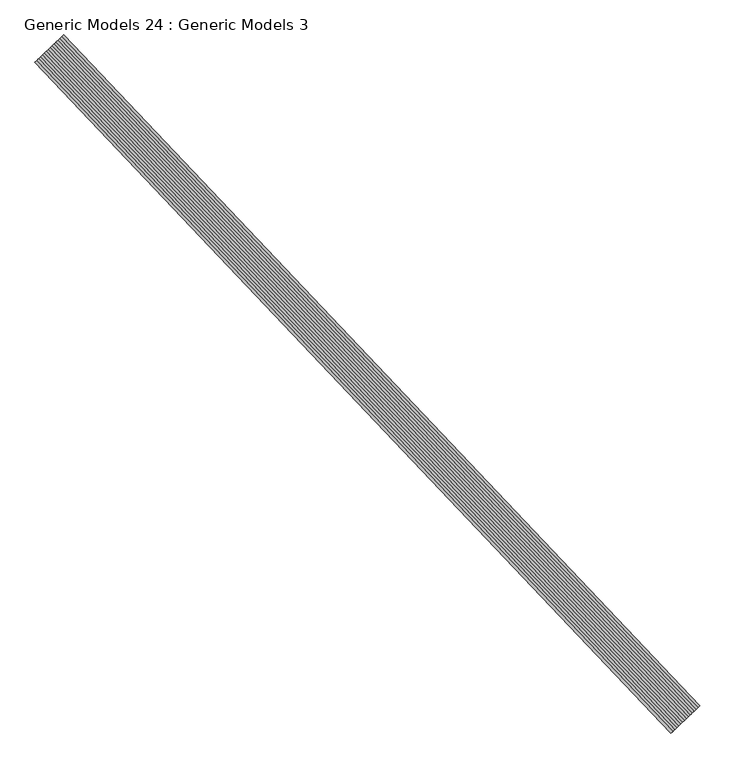
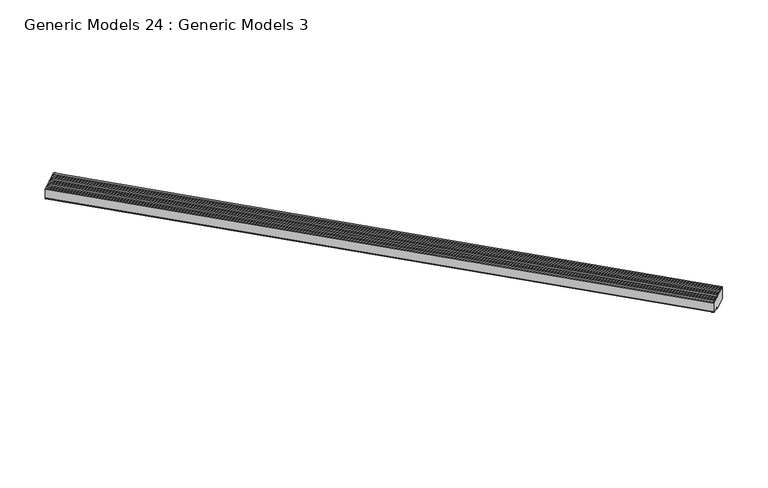
"""IFC4 building model written with IfcOpenShell, lengths in millimetres: proxy geometry, Generic Models 24 : Generic Models 3."""

from ifc_helpers import new_model, si_unit, frame, origin, place, context, project, spatial, circle_curve, source, transform, mapped, element, save
from ifc_brep_helpers import plane_surface, cylinder_surface, advanced_brep


def generic_models_24_generic_models_3_0cb34b50(model_context):
    return source(origin(), model_context, "Body", "AdvancedBrep", [
        advanced_brep(
        [(107447.4554887, 60196.124843, 16787.5924237), (107465.8799977, 60213.6090493, 16787.5924237), (107484.3045067, 60231.0932555, 16787.5924237), (107502.7290157, 60248.5774617, 16787.5924237), (107521.1535247, 60266.0616679, 16787.5924237), (107539.5780338, 60283.5458742, 16787.5924237), (107558.0025428, 60301.0300804, 16787.5924237), (107576.4270518, 60318.5142866, 16787.5924237), (107594.8515608, 60335.9984928, 16787.5924237), (107613.2760699, 60353.4826991, 16787.5924237), (107631.7005789, 60370.9669053, 16787.5924237), (107650.1250879, 60388.4511115, 16787.5924237), (107668.5495969, 60405.9353177, 16787.5924237), (107686.974106, 60423.4195239, 16787.5924237), (107705.398615, 60440.9037302, 16787.5924237), (107723.823124, 60458.3879364, 16787.5924237), (107723.823124, 60458.3879364, 16607.5699992), (107705.398615, 60440.9037302, 16607.5699992), (107686.974106, 60423.4195239, 16607.5699992), (107668.5495969, 60405.9353177, 16607.5699992), (107650.1250879, 60388.4511115, 16607.5699992), (107631.7005789, 60370.9669053, 16607.5699992), (107613.2760699, 60353.4826991, 16607.5699992), (107594.8515608, 60335.9984928, 16607.5699992), (107576.4270518, 60318.5142866, 16607.5699992), (107558.0025428, 60301.0300804, 16607.5699992), (107544.4605287, 60288.1791888, 16603.6706976), (107544.4605287, 60288.1791888, 16603.98), (107544.4605287, 60288.1791888, 16634.46), (107463.3466277, 60211.2049709, 16634.46), (107447.4554887, 60196.124843, 16656.3675), (113624.5932426, 53881.0561758, 16603.6706976), (113638.1352567, 53893.9070674, 16607.5699992), (113656.5597657, 53911.3912736, 16607.5699992), (113674.9842748, 53928.8754798, 16607.5699992), (113693.4087838, 53946.3596861, 16607.5699992), (113711.8332928, 53963.8438923, 16607.5699992), (113730.2578018, 53981.3280985, 16607.5699992), (113748.6823109, 53998.8123047, 16607.5699992), (113767.1068199, 54016.2965109, 16607.5699992), (113785.5313289, 54033.7807172, 16607.5699992), (113803.9558379, 54051.2649234, 16607.5699992), (113803.9558379, 54051.2649234, 16787.5924237), (113785.5313289, 54033.7807172, 16787.5924237), (113767.1068199, 54016.2965109, 16787.5924237), (113748.6823109, 53998.8123047, 16787.5924237), (113730.2578018, 53981.3280985, 16787.5924237), (113711.8332928, 53963.8438923, 16787.5924237), (113693.4087838, 53946.3596861, 16787.5924237), (113674.9842748, 53928.8754798, 16787.5924237), (113656.5597657, 53911.3912736, 16787.5924237), (113638.1352567, 53893.9070674, 16787.5924237), (113619.7107477, 53876.4228612, 16787.5924237), (113601.2862387, 53858.9386549, 16787.5924237), (113582.8617296, 53841.4544487, 16787.5924237), (113564.4372206, 53823.9702425, 16787.5924237), (113546.0127116, 53806.4860363, 16787.5924237), (113527.5882026, 53789.0018301, 16787.5924237), (113527.5882026, 53789.0018301, 16656.3675), (113543.4793416, 53804.0819579, 16634.46), (113624.5932426, 53881.0561758, 16634.46), (113624.5932426, 53881.0561758, 16603.98)],
        [
            (0, 1, circle_curve(frame((107456.6677432, 60204.8669462, 16773.4287993), z_axis=(-0.6883545756937504, 0.7253743710122912, 0.0), x_axis=(-0.7253743710122912, -0.6883545756937504, 0.0)), 19.0236237)),
            (1, 2, circle_curve(frame((107475.0922522, 60222.3511524, 16773.4287993), z_axis=(-0.6883545756937504, 0.7253743710122912, 0.0), x_axis=(-0.7253743710122912, -0.6883545756937504, 0.0)), 19.0236237)),
            (2, 3, circle_curve(frame((107493.5167612, 60239.8353586, 16773.4287993), z_axis=(-0.6883545756937504, 0.7253743710122912, 0.0), x_axis=(-0.7253743710122912, -0.6883545756937504, 0.0)), 19.0236237)),
            (3, 4, circle_curve(frame((107511.9412702, 60257.3195648, 16773.4287993), z_axis=(-0.6883545756937504, 0.7253743710122912, 0.0), x_axis=(-0.7253743710122912, -0.6883545756937504, 0.0)), 19.0236237)),
            (4, 5, circle_curve(frame((107530.3657793, 60274.803771, 16773.4287993), z_axis=(-0.6883545756937504, 0.7253743710122912, 0.0), x_axis=(-0.7253743710122912, -0.6883545756937504, 0.0)), 19.0236237)),
            (5, 6, circle_curve(frame((107548.7902883, 60292.2879773, 16773.4287993), z_axis=(-0.6883545756937504, 0.7253743710122912, 0.0), x_axis=(-0.7253743710122912, -0.6883545756937504, 0.0)), 19.0236237)),
            (6, 7, circle_curve(frame((107567.2147973, 60309.7721835, 16773.4287993), z_axis=(-0.6883545756937504, 0.7253743710122912, 0.0), x_axis=(-0.7253743710122912, -0.6883545756937504, 0.0)), 19.0236237)),
            (7, 8, circle_curve(frame((107585.6393063, 60327.2563897, 16773.4287993), z_axis=(-0.6883545756937504, 0.7253743710122912, 0.0), x_axis=(-0.7253743710122912, -0.6883545756937504, 0.0)), 19.0236237)),
            (8, 9, circle_curve(frame((107604.0638154, 60344.7405959, 16773.4287993), z_axis=(-0.6883545756937504, 0.7253743710122912, 0.0), x_axis=(-0.7253743710122912, -0.6883545756937504, 0.0)), 19.0236237)),
            (9, 10, circle_curve(frame((107622.4883244, 60362.2248022, 16773.4287993), z_axis=(-0.6883545756937504, 0.7253743710122912, 0.0), x_axis=(-0.7253743710122912, -0.6883545756937504, 0.0)), 19.0236237)),
            (10, 11, circle_curve(frame((107640.9128334, 60379.7090084, 16773.4287993), z_axis=(-0.6883545756937504, 0.7253743710122912, 0.0), x_axis=(-0.7253743710122912, -0.6883545756937504, 0.0)), 19.0236237)),
            (11, 12, circle_curve(frame((107659.3373424, 60397.1932146, 16773.4287993), z_axis=(-0.6883545756937504, 0.7253743710122912, 0.0), x_axis=(-0.7253743710122912, -0.6883545756937504, 0.0)), 19.0236237)),
            (12, 13, circle_curve(frame((107677.7618514, 60414.6774208, 16773.4287993), z_axis=(-0.6883545756937504, 0.7253743710122912, 0.0), x_axis=(-0.7253743710122912, -0.6883545756937504, 0.0)), 19.0236237)),
            (13, 14, circle_curve(frame((107696.1863605, 60432.1616271, 16773.4287993), z_axis=(-0.6883545756937504, 0.7253743710122912, 0.0), x_axis=(-0.7253743710122912, -0.6883545756937504, 0.0)), 19.0236237)),
            (14, 15, circle_curve(frame((107714.6108695, 60449.6458333, 16773.4287993), z_axis=(-0.6883545756937504, 0.7253743710122912, 0.0), x_axis=(-0.7253743710122912, -0.6883545756937504, 0.0)), 19.0236237)),
            (15, 16),
            (16, 17, circle_curve(frame((107714.6108695, 60449.6458333, 16621.7336237), z_axis=(-0.6883545756937504, 0.7253743710122912, 0.0), x_axis=(-0.7253743710122912, -0.6883545756937504, 0.0)), 19.0236237)),
            (17, 18, circle_curve(frame((107696.1863605, 60432.1616271, 16621.7336237), z_axis=(-0.6883545756937504, 0.7253743710122912, 0.0), x_axis=(-0.7253743710122912, -0.6883545756937504, 0.0)), 19.0236237)),
            (18, 19, circle_curve(frame((107677.7618514, 60414.6774208, 16621.7336237), z_axis=(-0.6883545756937504, 0.7253743710122912, 0.0), x_axis=(-0.7253743710122912, -0.6883545756937504, 0.0)), 19.0236237)),
            (19, 20, circle_curve(frame((107659.3373424, 60397.1932146, 16621.7336237), z_axis=(-0.6883545756937504, 0.7253743710122912, 0.0), x_axis=(-0.7253743710122912, -0.6883545756937504, 0.0)), 19.0236237)),
            (20, 21, circle_curve(frame((107640.9128334, 60379.7090084, 16621.7336237), z_axis=(-0.6883545756937504, 0.7253743710122912, 0.0), x_axis=(-0.7253743710122912, -0.6883545756937504, 0.0)), 19.0236237)),
            (21, 22, circle_curve(frame((107622.4883244, 60362.2248022, 16621.7336237), z_axis=(-0.6883545756937504, 0.7253743710122912, 0.0), x_axis=(-0.7253743710122912, -0.6883545756937504, 0.0)), 19.0236237)),
            (22, 23, circle_curve(frame((107604.0638154, 60344.7405959, 16621.7336237), z_axis=(-0.6883545756937504, 0.7253743710122912, 0.0), x_axis=(-0.7253743710122912, -0.6883545756937504, 0.0)), 19.0236237)),
            (23, 24, circle_curve(frame((107585.6393063, 60327.2563897, 16621.7336237), z_axis=(-0.6883545756937504, 0.7253743710122912, 0.0), x_axis=(-0.7253743710122912, -0.6883545756937504, 0.0)), 19.0236237)),
            (24, 25, circle_curve(frame((107567.2147973, 60309.7721835, 16621.7336237), z_axis=(-0.6883545756937504, 0.7253743710122912, 0.0), x_axis=(-0.7253743710122912, -0.6883545756937504, 0.0)), 19.0236237)),
            (25, 26, circle_curve(frame((107548.7902883, 60292.2879773, 16621.7336237), z_axis=(-0.6883545756937504, 0.7253743710122912, 0.0), x_axis=(-0.7253743710122912, -0.6883545756937504, 0.0)), 19.0236237)),
            (26, 27),
            (27, 28),
            (28, 29),
            (29, 30, circle_curve(frame((107463.3466277, 60211.2049709, 16656.3675), z_axis=(-0.6883545756936593, 0.7253743710123776, 0.0), x_axis=(-0.7253743710123776, -0.6883545756936593, 0.0)), 21.9075)),
            (30, 0),
            (31, 32, circle_curve(frame((113628.9230022, 53885.1649643, 16621.7336237), z_axis=(0.6883545756937504, -0.7253743710122912, 0.0), x_axis=(-0.7253743710122912, -0.6883545756937504, 0.0)), 19.0236237)),
            (32, 33, circle_curve(frame((113647.3475112, 53902.6491705, 16621.7336237), z_axis=(0.6883545756937504, -0.7253743710122912, 0.0), x_axis=(-0.7253743710122912, -0.6883545756937504, 0.0)), 19.0236237)),
            (33, 34, circle_curve(frame((113665.7720202, 53920.1333767, 16621.7336237), z_axis=(0.6883545756937504, -0.7253743710122912, 0.0), x_axis=(-0.7253743710122912, -0.6883545756937504, 0.0)), 19.0236237)),
            (34, 35, circle_curve(frame((113684.1965293, 53937.6175829, 16621.7336237), z_axis=(0.6883545756937504, -0.7253743710122912, 0.0), x_axis=(-0.7253743710122912, -0.6883545756937504, 0.0)), 19.0236237)),
            (35, 36, circle_curve(frame((113702.6210383, 53955.1017892, 16621.7336237), z_axis=(0.6883545756937504, -0.7253743710122912, 0.0), x_axis=(-0.7253743710122912, -0.6883545756937504, 0.0)), 19.0236237)),
            (36, 37, circle_curve(frame((113721.0455473, 53972.5859954, 16621.7336237), z_axis=(0.6883545756937504, -0.7253743710122912, 0.0), x_axis=(-0.7253743710122912, -0.6883545756937504, 0.0)), 19.0236237)),
            (37, 38, circle_curve(frame((113739.4700563, 53990.0702016, 16621.7336237), z_axis=(0.6883545756937504, -0.7253743710122912, 0.0), x_axis=(-0.7253743710122912, -0.6883545756937504, 0.0)), 19.0236237)),
            (38, 39, circle_curve(frame((113757.8945654, 54007.5544078, 16621.7336237), z_axis=(0.6883545756937504, -0.7253743710122912, 0.0), x_axis=(-0.7253743710122912, -0.6883545756937504, 0.0)), 19.0236237)),
            (39, 40, circle_curve(frame((113776.3190744, 54025.0386141, 16621.7336237), z_axis=(0.6883545756937504, -0.7253743710122912, 0.0), x_axis=(-0.7253743710122912, -0.6883545756937504, 0.0)), 19.0236237)),
            (40, 41, circle_curve(frame((113794.7435834, 54042.5228203, 16621.7336237), z_axis=(0.6883545756937504, -0.7253743710122912, 0.0), x_axis=(-0.7253743710122912, -0.6883545756937504, 0.0)), 19.0236237)),
            (41, 42),
            (42, 43, circle_curve(frame((113794.7435834, 54042.5228203, 16773.4287993), z_axis=(0.6883545756937504, -0.7253743710122912, 0.0), x_axis=(-0.7253743710122912, -0.6883545756937504, 0.0)), 19.0236237)),
            (43, 44, circle_curve(frame((113776.3190744, 54025.0386141, 16773.4287993), z_axis=(0.6883545756937504, -0.7253743710122912, 0.0), x_axis=(-0.7253743710122912, -0.6883545756937504, 0.0)), 19.0236237)),
            (44, 45, circle_curve(frame((113757.8945654, 54007.5544078, 16773.4287993), z_axis=(0.6883545756937504, -0.7253743710122912, 0.0), x_axis=(-0.7253743710122912, -0.6883545756937504, 0.0)), 19.0236237)),
            (45, 46, circle_curve(frame((113739.4700563, 53990.0702016, 16773.4287993), z_axis=(0.6883545756937504, -0.7253743710122912, 0.0), x_axis=(-0.7253743710122912, -0.6883545756937504, 0.0)), 19.0236237)),
            (46, 47, circle_curve(frame((113721.0455473, 53972.5859954, 16773.4287993), z_axis=(0.6883545756937504, -0.7253743710122912, 0.0), x_axis=(-0.7253743710122912, -0.6883545756937504, 0.0)), 19.0236237)),
            (47, 48, circle_curve(frame((113702.6210383, 53955.1017892, 16773.4287993), z_axis=(0.6883545756937504, -0.7253743710122912, 0.0), x_axis=(-0.7253743710122912, -0.6883545756937504, 0.0)), 19.0236237)),
            (48, 49, circle_curve(frame((113684.1965293, 53937.6175829, 16773.4287993), z_axis=(0.6883545756937504, -0.7253743710122912, 0.0), x_axis=(-0.7253743710122912, -0.6883545756937504, 0.0)), 19.0236237)),
            (49, 50, circle_curve(frame((113665.7720202, 53920.1333767, 16773.4287993), z_axis=(0.6883545756937504, -0.7253743710122912, 0.0), x_axis=(-0.7253743710122912, -0.6883545756937504, 0.0)), 19.0236237)),
            (50, 51, circle_curve(frame((113647.3475112, 53902.6491705, 16773.4287993), z_axis=(0.6883545756937504, -0.7253743710122912, 0.0), x_axis=(-0.7253743710122912, -0.6883545756937504, 0.0)), 19.0236237)),
            (51, 52, circle_curve(frame((113628.9230022, 53885.1649643, 16773.4287993), z_axis=(0.6883545756937504, -0.7253743710122912, 0.0), x_axis=(-0.7253743710122912, -0.6883545756937504, 0.0)), 19.0236237)),
            (52, 53, circle_curve(frame((113610.4984932, 53867.6807581, 16773.4287993), z_axis=(0.6883545756937504, -0.7253743710122912, 0.0), x_axis=(-0.7253743710122912, -0.6883545756937504, 0.0)), 19.0236237)),
            (53, 54, circle_curve(frame((113592.0739842, 53850.1965518, 16773.4287993), z_axis=(0.6883545756937504, -0.7253743710122912, 0.0), x_axis=(-0.7253743710122912, -0.6883545756937504, 0.0)), 19.0236237)),
            (54, 55, circle_curve(frame((113573.6494751, 53832.7123456, 16773.4287993), z_axis=(0.6883545756937504, -0.7253743710122912, 0.0), x_axis=(-0.7253743710122912, -0.6883545756937504, 0.0)), 19.0236237)),
            (55, 56, circle_curve(frame((113555.2249661, 53815.2281394, 16773.4287993), z_axis=(0.6883545756937504, -0.7253743710122912, 0.0), x_axis=(-0.7253743710122912, -0.6883545756937504, 0.0)), 19.0236237)),
            (56, 57, circle_curve(frame((113536.8004571, 53797.7439332, 16773.4287993), z_axis=(0.6883545756937504, -0.7253743710122912, 0.0), x_axis=(-0.7253743710122912, -0.6883545756937504, 0.0)), 19.0236237)),
            (57, 58),
            (58, 59, circle_curve(frame((113543.4793416, 53804.0819579, 16656.3675), z_axis=(0.6883545756936593, -0.7253743710123776, 0.0), x_axis=(-0.7253743710123776, -0.6883545756936593, 0.0)), 21.9075)),
            (59, 60),
            (60, 61),
            (61, 31),
            (0, 57),
            (56, 1),
            (55, 2),
            (54, 3),
            (53, 4),
            (52, 5),
            (51, 6),
            (50, 7),
            (49, 8),
            (48, 9),
            (47, 10),
            (46, 11),
            (45, 12),
            (44, 13),
            (43, 14),
            (42, 15),
            (41, 16),
            (40, 17),
            (39, 18),
            (38, 19),
            (37, 20),
            (36, 21),
            (35, 22),
            (34, 23),
            (33, 24),
            (32, 25),
            (31, 26),
            (30, 58),
            (60, 28),
            (59, 29),
        ],
        [
            plane_surface(frame((107442.8684941, 60191.7719478, 16773.4287993), z_axis=(-0.6883545756937504, 0.7253743710122913, 0.0), x_axis=(0.0, 0.0, 1.0))),
            plane_surface(frame((113523.001208, 53784.6489348, 16773.4287993), z_axis=(0.6883545756937504, -0.7253743710122913, 0.0), x_axis=(0.0, 0.0, -1.0))),
            cylinder_surface(frame((113536.8004571, 53797.7439332, 16773.4287993), z_axis=(-0.6883545756937504, 0.7253743710122912, 0.0), x_axis=(-0.7253743710122912, -0.6883545756937504, 0.0)), 19.0236237),
            cylinder_surface(frame((113555.2249661, 53815.2281394, 16773.4287993), z_axis=(-0.6883545756937504, 0.7253743710122912, 0.0), x_axis=(-0.7253743710122912, -0.6883545756937504, 0.0)), 19.0236237),
            cylinder_surface(frame((113573.6494751, 53832.7123456, 16773.4287993), z_axis=(-0.6883545756937504, 0.7253743710122912, 0.0), x_axis=(-0.7253743710122912, -0.6883545756937504, 0.0)), 19.0236237),
            cylinder_surface(frame((113592.0739842, 53850.1965518, 16773.4287993), z_axis=(-0.6883545756937504, 0.7253743710122912, 0.0), x_axis=(-0.7253743710122912, -0.6883545756937504, 0.0)), 19.0236237),
            cylinder_surface(frame((113610.4984932, 53867.6807581, 16773.4287993), z_axis=(-0.6883545756937504, 0.7253743710122912, 0.0), x_axis=(-0.7253743710122912, -0.6883545756937504, 0.0)), 19.0236237),
            cylinder_surface(frame((113628.9230022, 53885.1649643, 16773.4287993), z_axis=(-0.6883545756937504, 0.7253743710122912, 0.0), x_axis=(-0.7253743710122912, -0.6883545756937504, 0.0)), 19.0236237),
            cylinder_surface(frame((113647.3475112, 53902.6491705, 16773.4287993), z_axis=(-0.6883545756937504, 0.7253743710122912, 0.0), x_axis=(-0.7253743710122912, -0.6883545756937504, 0.0)), 19.0236237),
            cylinder_surface(frame((113665.7720202, 53920.1333767, 16773.4287993), z_axis=(-0.6883545756937504, 0.7253743710122912, 0.0), x_axis=(-0.7253743710122912, -0.6883545756937504, 0.0)), 19.0236237),
            cylinder_surface(frame((113684.1965293, 53937.6175829, 16773.4287993), z_axis=(-0.6883545756937504, 0.7253743710122912, 0.0), x_axis=(-0.7253743710122912, -0.6883545756937504, 0.0)), 19.0236237),
            cylinder_surface(frame((113702.6210383, 53955.1017892, 16773.4287993), z_axis=(-0.6883545756937504, 0.7253743710122912, 0.0), x_axis=(-0.7253743710122912, -0.6883545756937504, 0.0)), 19.0236237),
            cylinder_surface(frame((113721.0455473, 53972.5859954, 16773.4287993), z_axis=(-0.6883545756937504, 0.7253743710122912, 0.0), x_axis=(-0.7253743710122912, -0.6883545756937504, 0.0)), 19.0236237),
            cylinder_surface(frame((113739.4700563, 53990.0702016, 16773.4287993), z_axis=(-0.6883545756937504, 0.7253743710122912, 0.0), x_axis=(-0.7253743710122912, -0.6883545756937504, 0.0)), 19.0236237),
            cylinder_surface(frame((113757.8945654, 54007.5544078, 16773.4287993), z_axis=(-0.6883545756937504, 0.7253743710122912, 0.0), x_axis=(-0.7253743710122912, -0.6883545756937504, 0.0)), 19.0236237),
            cylinder_surface(frame((113776.3190744, 54025.0386141, 16773.4287993), z_axis=(-0.6883545756937504, 0.7253743710122912, 0.0), x_axis=(-0.7253743710122912, -0.6883545756937504, 0.0)), 19.0236237),
            cylinder_surface(frame((113794.7435834, 54042.5228203, 16773.4287993), z_axis=(-0.6883545756937504, 0.7253743710122912, 0.0), x_axis=(-0.7253743710122912, -0.6883545756937504, 0.0)), 19.0236237),
            plane_surface(frame((107723.823124, 60458.3879364, 16787.5924237), z_axis=(0.725374371012291, 0.6883545756937505, 0.0), x_axis=(0.6883545756937505, -0.725374371012291, 0.0))),
            cylinder_surface(frame((113794.7435834, 54042.5228203, 16621.7336237), z_axis=(-0.6883545756937504, 0.7253743710122912, 0.0), x_axis=(-0.7253743710122912, -0.6883545756937504, 0.0)), 19.0236237),
            cylinder_surface(frame((113776.3190744, 54025.0386141, 16621.7336237), z_axis=(-0.6883545756937504, 0.7253743710122912, 0.0), x_axis=(-0.7253743710122912, -0.6883545756937504, 0.0)), 19.0236237),
            cylinder_surface(frame((113757.8945654, 54007.5544078, 16621.7336237), z_axis=(-0.6883545756937504, 0.7253743710122912, 0.0), x_axis=(-0.7253743710122912, -0.6883545756937504, 0.0)), 19.0236237),
            cylinder_surface(frame((113739.4700563, 53990.0702016, 16621.7336237), z_axis=(-0.6883545756937504, 0.7253743710122912, 0.0), x_axis=(-0.7253743710122912, -0.6883545756937504, 0.0)), 19.0236237),
            cylinder_surface(frame((113721.0455473, 53972.5859954, 16621.7336237), z_axis=(-0.6883545756937504, 0.7253743710122912, 0.0), x_axis=(-0.7253743710122912, -0.6883545756937504, 0.0)), 19.0236237),
            cylinder_surface(frame((113702.6210383, 53955.1017892, 16621.7336237), z_axis=(-0.6883545756937504, 0.7253743710122912, 0.0), x_axis=(-0.7253743710122912, -0.6883545756937504, 0.0)), 19.0236237),
            cylinder_surface(frame((113684.1965293, 53937.6175829, 16621.7336237), z_axis=(-0.6883545756937504, 0.7253743710122912, 0.0), x_axis=(-0.7253743710122912, -0.6883545756937504, 0.0)), 19.0236237),
            cylinder_surface(frame((113665.7720202, 53920.1333767, 16621.7336237), z_axis=(-0.6883545756937504, 0.7253743710122912, 0.0), x_axis=(-0.7253743710122912, -0.6883545756937504, 0.0)), 19.0236237),
            cylinder_surface(frame((113647.3475112, 53902.6491705, 16621.7336237), z_axis=(-0.6883545756937504, 0.7253743710122912, 0.0), x_axis=(-0.7253743710122912, -0.6883545756937504, 0.0)), 19.0236237),
            cylinder_surface(frame((113628.9230022, 53885.1649643, 16621.7336237), z_axis=(-0.6883545756937504, 0.7253743710122912, 0.0), x_axis=(-0.7253743710122912, -0.6883545756937504, 0.0)), 19.0236237),
            plane_surface(frame((107447.4554887, 60196.124843, 16634.46), z_axis=(-0.725374371012291, -0.6883545756937505, 0.0), x_axis=(0.6883545756937505, -0.725374371012291, 0.0))),
            plane_surface(frame((107544.4605287, 60288.1791888, 16603.6706976), z_axis=(-0.725374371012291, -0.6883545756937505, 5.89323791018552e-11), x_axis=(0.6883545756937505, -0.725374371012291, 0.0))),
            plane_surface(frame((107544.4605287, 60288.1791888, 16634.46), z_axis=(0.0, 0.0, -1.0000000000000002), x_axis=(0.68835457569375, -0.7253743710122915, 0.0))),
            cylinder_surface(frame((113543.4793416, 53804.0819579, 16656.3675), z_axis=(-0.6883545756936593, 0.7253743710123776, 0.0), x_axis=(-0.7253743710123776, -0.6883545756936593, 0.0)), 21.9075),
        ],
        [
            (0, [[1, 2, 3, 4, 5, 6, 7, 8, 9, 10, 11, 12, 13, 14, 15, 16, 17, 18, 19, 20, 21, 22, 23, 24, 25, 26, 27, 28, 29, 30, 31]]),
            (1, [[32, 33, 34, 35, 36, 37, 38, 39, 40, 41, 42, 43, 44, 45, 46, 47, 48, 49, 50, 51, 52, 53, 54, 55, 56, 57, 58, 59, 60, 61, 62]]),
            (2, [[-1, 63, -57, 64]]),
            (3, [[-2, -64, -56, 65]]),
            (4, [[-3, -65, -55, 66]]),
            (5, [[-4, -66, -54, 67]]),
            (6, [[-5, -67, -53, 68]]),
            (7, [[-6, -68, -52, 69]]),
            (8, [[-7, -69, -51, 70]]),
            (9, [[-8, -70, -50, 71]]),
            (10, [[-9, -71, -49, 72]]),
            (11, [[-10, -72, -48, 73]]),
            (12, [[-11, -73, -47, 74]]),
            (13, [[-12, -74, -46, 75]]),
            (14, [[-13, -75, -45, 76]]),
            (15, [[-14, -76, -44, 77]]),
            (16, [[-15, -77, -43, 78]]),
            (17, [[-16, -78, -42, 79]]),
            (18, [[-17, -79, -41, 80]]),
            (19, [[-18, -80, -40, 81]]),
            (20, [[-19, -81, -39, 82]]),
            (21, [[-20, -82, -38, 83]]),
            (22, [[-21, -83, -37, 84]]),
            (23, [[-22, -84, -36, 85]]),
            (24, [[-23, -85, -35, 86]]),
            (25, [[-24, -86, -34, 87]]),
            (26, [[-25, -87, -33, 88]]),
            (27, [[-26, -88, -32, 89]]),
            (28, [[-63, -31, 90, -58]]),
            (29, [[-89, -62, -61, 91, -28, -27]]),
            (30, [[-91, -60, 92, -29]]),
            (31, [[-30, -92, -59, -90]]),
        ],
    ),
    ])


if __name__ == "__main__":
    model = new_model("IFC4")
    model_context = context("Model", 3, world=origin())
    ifc_project = project(units=[si_unit("LENGTHUNIT", "METRE", prefix="MILLI")], contexts=[model_context])
    site = spatial("IfcSite", under=ifc_project)
    building = spatial("IfcBuilding", under=site)
    placement = place(None, origin())
    generic_models_24_generic_models_3_shape = generic_models_24_generic_models_3_0cb34b50(model_context)
    element("IfcBuildingElementProxy", 1, Name="Generic Models 24 : Generic Models 3", ObjectType="Generic Models 24 : Generic Models 3", at=placement, inside=building, context=model_context, shape_type="MappedRepresentation", body=[
        mapped(generic_models_24_generic_models_3_shape, transform((0.0, 0.0, 0.0), x_axis=(1.0, 0.0, 0.0), y_axis=(0.0, 1.0, 0.0), z_axis=(0.0, 0.0, 1.0))),
    ])
    save(model, "model.ifc")
